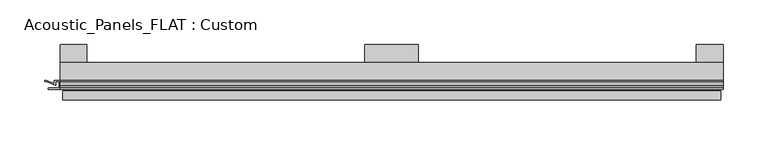
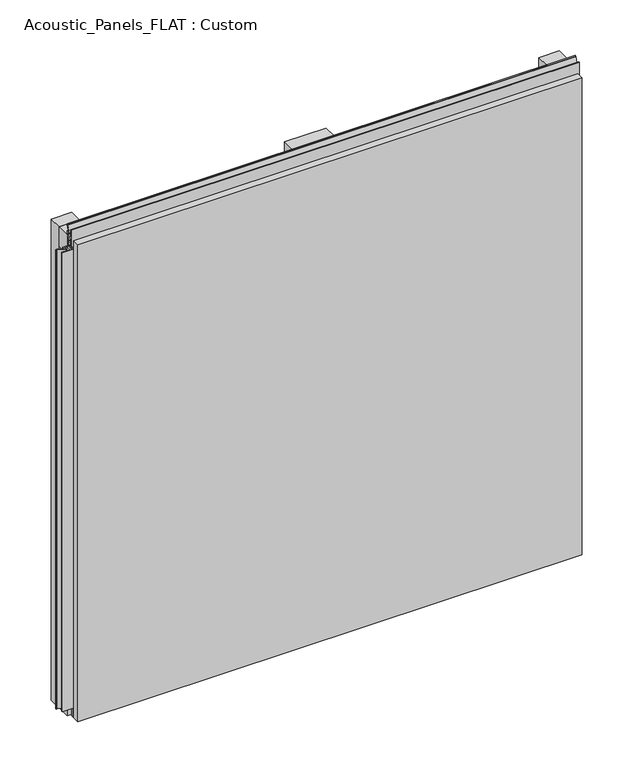
"""IFC4 building model written with IfcOpenShell, lengths in millimetres: plate geometry, Acoustic_Panels_FLAT : Custom."""

from ifc_helpers import new_model, si_unit, frame, origin, origin_with_axes, place, context, project, spatial, polyline, outline, extrude, faceted_brep, source, transform, mapped, element, save


def acoustic_panels_flat_custom_4f44c4ac(model_context):
    return source(origin(), model_context, "Body", "SolidModel", [
        extrude(outline(polyline([(-370.0, -40.0), (-370.0, -20.0), (370.0, -20.0), (370.0, -40.0), (-370.0, -40.0)])), frame((0.0, 0.0, 710.0), z_axis=(0.0, 0.0, 1.0), x_axis=(1.0, 0.0, 0.0)), (0.0, 0.0, 1.0), 30.0),
        extrude(outline(polyline([(-370.0, -40.0), (-370.0, -20.0), (370.0, -20.0), (370.0, -40.0), (-370.0, -40.0)])), origin_with_axes(), (0.0, 0.0, 1.0), 30.0),
        extrude(outline(polyline([(-370.0, -40.0), (-370.0, -20.0), (370.0, -20.0), (370.0, -40.0), (-370.0, -40.0)])), frame((0.0, 0.0, 340.0), z_axis=(0.0, 0.0, 1.0), x_axis=(1.0, 0.0, 0.0)), (0.0, 0.0, 1.0), 60.0),
        extrude(outline(polyline([(340.0, 0.0), (370.0, 0.0), (370.0, -20.0), (340.0, -20.0), (340.0, 0.0)])), origin_with_axes(), (0.0, 0.0, 1.0), 740.0),
        extrude(outline(polyline([(30.0, 0.0), (30.0, -20.0), (-30.0, -20.0), (-30.0, 0.0), (30.0, 0.0)])), origin_with_axes(), (0.0, 0.0, 1.0), 740.0),
        extrude(outline(polyline([(-340.0, 0.0), (-340.0, -20.0), (-370.0, -20.0), (-370.0, 0.0), (-340.0, 0.0)])), origin_with_axes(), (0.0, 0.0, 1.0), 740.0),
        extrude(outline(polyline([(-370.899084, -48.7), (-370.899084, -41.4), (-374.899084, -41.4), (-374.899084, -45.5140545), (-385.5703394, -41.4553267), (-386.9558599, -41.4553267), (-386.9558599, -40.0553267), (-385.3558599, -40.0553267), (-376.299084, -43.5), (-376.299084, -40.0), (-363.700916, -40.0), (-363.700916, -43.5), (-354.6441401, -40.0553267), (-353.0441401, -40.0553267), (-353.0441401, -41.4553267), (-354.4296606, -41.4553267), (-365.100916, -45.5140545), (-365.100916, -41.4), (-369.100916, -41.4), (-369.100916, -48.7), (-357.100916, -48.7), (-357.100916, -50.1), (-382.899084, -50.1), (-382.899084, -48.7), (-370.899084, -48.7)])), frame((0.0, 0.0, 16.9558599), z_axis=(0.0, 0.0, 1.0), x_axis=(1.0, 0.0, 0.0)), (0.0, 0.0, 1.0), 706.0882802),
        extrude(outline(polyline([(-48.7, 740.899084), (-41.4, 740.899084), (-41.4, 744.899084), (-45.5140545, 744.899084), (-41.4553267, 755.5703394), (-41.4553267, 756.9558599), (-40.0553267, 756.9558599), (-40.0553267, 755.3558599), (-43.5, 746.299084), (-40.0, 746.299084), (-40.0, 733.700916), (-43.5, 733.700916), (-40.0553267, 724.6441401), (-40.0553267, 723.0441401), (-41.4553267, 723.0441401), (-41.4553267, 724.4296606), (-45.5140545, 735.100916), (-41.4, 735.100916), (-41.4, 739.100916), (-48.7, 739.100916), (-48.7, 727.100916), (-50.1, 727.100916), (-50.1, 752.899084), (-48.7, 752.899084), (-48.7, 740.899084)])), frame((-370.0, 0.0, 0.0), z_axis=(1.0, 0.0, 0.0), x_axis=(0.0, 1.0, 0.0)), (0.0, 0.0, 1.0), 740.0),
        faceted_brep([(367.0, -45.9, 737.0), (-367.0, -45.9, 737.0), (-367.0, -48.7, 737.0), (367.0, -48.7, 737.0), (-367.0, -61.9, 737.0), (367.0, -61.9, 737.0), (367.0, -51.9, 737.0), (-367.0, -51.9, 737.0), (-367.0, -45.9, 3.0), (367.0, -45.9, 3.0), (367.0, -48.7, 3.0), (-367.0, -48.7, 3.0), (367.0, -61.9, 3.0), (-367.0, -61.9, 3.0), (-367.0, -51.9, 3.0), (367.0, -51.9, 3.0), (355.0, -51.9, 725.0), (355.0, -51.9, 15.0), (355.0, -48.7, 15.0), (355.0, -48.7, 725.0), (-355.0, -51.9, 15.0), (-355.0, -48.7, 15.0), (-355.0, -51.9, 725.0), (-355.0, -48.7, 725.0)], [[[0, 1, 2, 3]], [[4, 5, 6, 7]], [[8, 9, 10, 11]], [[12, 13, 14, 15]], [[1, 0, 9, 8]], [[1, 8, 11, 2]], [[13, 4, 7, 14]], [[5, 4, 13, 12]], [[9, 0, 3, 10]], [[5, 12, 15, 6]], [[16, 17, 18, 19]], [[18, 17, 20, 21]], [[21, 20, 22, 23]], [[16, 19, 23, 22]], [[7, 6, 15, 14], [17, 16, 22, 20]], [[3, 2, 11, 10], [19, 18, 21, 23]]]),
    ])


if __name__ == "__main__":
    model = new_model("IFC4")
    model_context = context("Model", 3, world=origin())
    ifc_project = project(units=[si_unit("LENGTHUNIT", "METRE", prefix="MILLI")], contexts=[model_context])
    site = spatial("IfcSite", under=ifc_project)
    building = spatial("IfcBuilding", under=site)
    placement = place(None, origin())
    acoustic_panels_flat_custom_shape = acoustic_panels_flat_custom_4f44c4ac(model_context)
    element("IfcPlate", 1, ObjectType="Acoustic_Panels_FLAT : Custom", at=placement, inside=building, context=model_context, shape_type="MappedRepresentation", body=[
        mapped(acoustic_panels_flat_custom_shape, transform((0.0, 0.0, 0.0), x_axis=(1.0, 0.0, 0.0), y_axis=(0.0, 1.0, 0.0), z_axis=(0.0, 0.0, 1.0))),
    ])
    save(model, "model.ifc")
